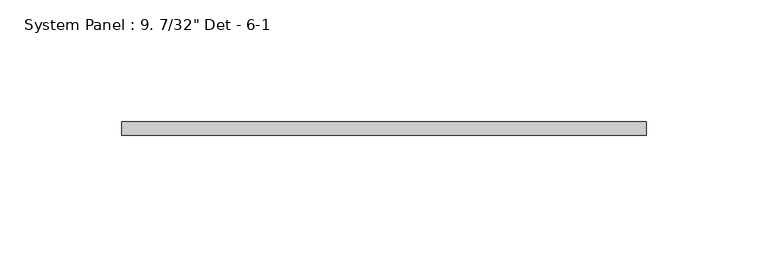
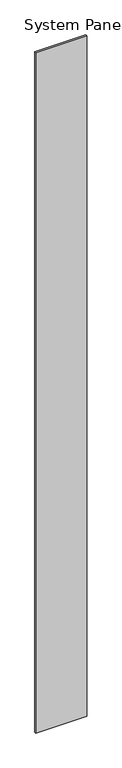
"""IFC4 building model written with IfcOpenShell, lengths in millimetres: plate geometry."""

from ifc_helpers import new_model, si_unit, origin, origin_with_axes, place, context, project, spatial, polyline, outline, extrude, source, transform, mapped, element, save


def plate_2079ecdc(model_context):
    return source(origin(), model_context, "Body", "SweptSolid", [
        extrude(outline(polyline([(107.95, -13.49375), (-107.95, -13.49375), (-107.95, -7.9375), (107.95, -7.9375), (107.95, -13.49375)])), origin_with_axes(), (0.0, 0.0, 1.0), 3048.0),
    ])


if __name__ == "__main__":
    model = new_model("IFC4")
    model_context = context("Model", 3, world=origin())
    ifc_project = project(units=[si_unit("LENGTHUNIT", "METRE", prefix="MILLI")], contexts=[model_context])
    site = spatial("IfcSite", under=ifc_project)
    building = spatial("IfcBuilding", under=site)
    placement = place(None, origin())
    plate_shape = plate_2079ecdc(model_context)
    element("IfcPlate", 1, ObjectType="System Panel : 9. 7/32\" Det - 6-1", at=placement, inside=building, context=model_context, shape_type="MappedRepresentation", body=[
        mapped(plate_shape, transform((0.0, 0.0, 0.0), x_axis=(1.0, 0.0, 0.0), y_axis=(0.0, 1.0, 0.0), z_axis=(0.0, 0.0, 1.0))),
    ])
    save(model, "model.ifc")
